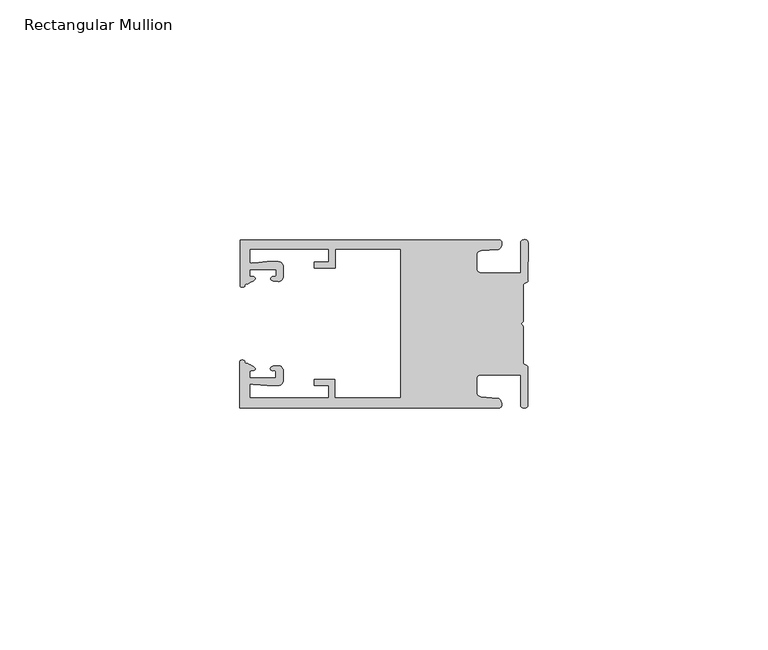
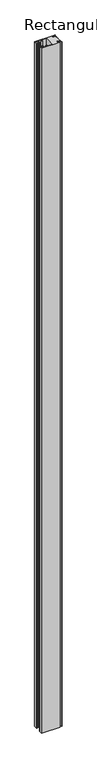
"""IFC4 building model written with IfcOpenShell, lengths in millimetres: member geometry, Rectangular Mullion."""

from ifc_helpers import new_model, si_unit, frame, origin, place, context, project, spatial, circle_curve, source, transform, mapped, element, save
from ifc_brep_helpers import plane_surface, cylinder_surface, extruded_surface, spline_curve, advanced_brep


def rectangular_mullion_eb6108d3(model_context):
    return source(origin(), model_context, "Body", "AdvancedBrep", [
        advanced_brep(
        [(-60.0749377, 17.5111528, 0.0), (-60.0749377, 8.0140787, 0.0), (-59.3252567, 7.7187455, 0.0), (-58.4967974, 8.36785, 0.0), (-58.0726619, 10.1173923, 0.0), (-58.0713101, 11.3673916, 0.0), (-52.5713133, 11.3614437, 0.0), (-52.5726651, 10.1114444, 0.0), (-53.1427626, 8.8955539, 0.0), (-52.0740172, 8.8609044, 0.0), (-51.0729364, 9.8598224, 0.0), (-51.0706653, 11.9598211, 0.0), (-52.0700692, 12.9609024, 0.0), (-54.3905105, 12.9622843, 0.0), (-57.1599646, 12.7230061, 0.0), (-58.0696339, 12.9173907, 0.0), (-58.066768, 15.5673891, 0.0), (-41.5667584, 15.5673891, 0.0), (-41.5695894, 12.9495468, 0.0), (-44.5695877, 12.9527912, 0.0), (-44.5709936, 11.6527919, 0.0), (-40.2709961, 11.6481417, 0.0), (-40.2667576, 15.5673891, 0.0), (-26.6002952, 15.5673891, 0.0), (-26.6002952, -15.4518424, 0.0), (-40.3003032, -15.4518424, 0.0), (-40.2960856, -11.5518447, 0.0), (-44.5960831, -11.5471945, 0.0), (-44.597489, -12.8471938, 0.0), (-41.5974907, -12.8504381, 0.0), (-41.6003025, -15.4504366, 0.0), (-58.1002928, -15.4325927, 0.0), (-58.097427, -12.7825943, 0.0), (-57.1873395, -12.5901776, 0.0), (-54.4184094, -12.8354453, 0.0), (-52.0979705, -12.8390822, 0.0), (-51.0964037, -11.8401649, 0.0), (-51.0941327, -9.7401662, 0.0), (-52.0930507, -8.7390853, 0.0), (-53.1618685, -8.7714231, 0.0), (-52.5944022, -9.9885439, 0.0), (-52.595754, -11.2385431, 0.0), (-58.0957508, -11.2325952, 0.0), (-58.094399, -9.9825959, 0.0), (-58.5147494, -8.2321403, 0.0), (-59.3418028, -7.5812455, 0.0), (-60.0921208, -7.8749565, 0.0), (-60.0921208, -17.4888267, 0.0), (-6.1024861, -17.4888267, 0.0), (-6.5218639, -15.488372, 0.0), (-9.8784944, -15.2205466, 0.0), (-10.7989567, -14.2226333, 0.0), (-10.7961029, -11.5837474, 0.0), (-9.8734844, -10.5878272, 0.0), (-1.5950266, -10.5934991, 0.0), (-1.601948, -16.9936935, 0.0), (-0.1017194, -16.7830581, 0.0), (-0.0933208, -9.0170082, 0.0), (-1.0923837, -8.1499018, 0.0), (-1.0842165, -0.5977972, 0.0), (-1.0829111, 0.6093089, 0.0), (-1.0747439, 8.1614135, 0.0), (-0.0738079, 9.026357, 0.0), (-0.0654093, 16.7924069, 0.0), (-1.5651789, 17.0062866, 0.0), (-1.5651789, 10.6183257, 0.0), (-9.8505511, 10.6183257, 0.0), (-10.7710133, 11.6162391, 0.0), (-10.7681595, 14.255125, 0.0), (-9.845541, 15.2510452, 0.0), (-6.4883391, 15.5116099, 0.0), (-6.0646356, 17.5111528, 0.0), (-60.0749377, 17.5111528, -2133.6), (-6.0646356, 17.5111528, -2133.6), (-6.4883391, 15.5116099, -2133.6), (-9.845541, 15.2510452, -2133.6), (-10.7681595, 14.255125, -2133.6), (-10.7710133, 11.6162391, -2133.6), (-9.8505511, 10.6183257, -2133.6), (-1.5651789, 10.6183257, -2133.6), (-1.5651789, 17.0062866, -2133.6), (-0.0654093, 16.7924069, -2133.6), (-0.0738079, 9.026357, -2133.6), (-1.0747439, 8.1614135, -2133.6), (-1.0829111, 0.6093089, -2133.6), (-1.0842165, -0.5977972, -2133.6), (-1.0923837, -8.1499018, -2133.6), (-0.0933208, -9.0170082, -2133.6), (-0.1017194, -16.7830581, -2133.6), (-1.601948, -16.9936935, -2133.6), (-1.5950266, -10.5934991, -2133.6), (-9.8734844, -10.5878272, -2133.6), (-10.7961029, -11.5837474, -2133.6), (-10.7989567, -14.2226333, -2133.6), (-9.8784944, -15.2205466, -2133.6), (-6.5218639, -15.488372, -2133.6), (-6.1024861, -17.4888267, -2133.6), (-60.0921208, -17.4888267, -2133.6), (-60.0921208, -7.8749565, -2133.6), (-59.3418028, -7.5812455, -2133.6), (-58.5147494, -8.2321403, -2133.6), (-58.094399, -9.9825959, -2133.6), (-58.0957508, -11.2325952, -2133.6), (-52.595754, -11.2385431, -2133.6), (-52.5944022, -9.9885439, -2133.6), (-53.1618685, -8.7714231, -2133.6), (-52.0930507, -8.7390853, -2133.6), (-51.0941327, -9.7401662, -2133.6), (-51.0964037, -11.8401649, -2133.6), (-52.0979705, -12.8390823, -2133.6), (-54.4184094, -12.8354453, -2133.6), (-57.1873395, -12.5901776, -2133.6), (-58.097427, -12.7825943, -2133.6), (-58.1002928, -15.4325927, -2133.6), (-41.6003025, -15.4504366, -2133.6), (-41.5974907, -12.8504381, -2133.6), (-44.597489, -12.8471938, -2133.6), (-44.5960831, -11.5471945, -2133.6), (-40.2960856, -11.5518447, -2133.6), (-40.3003032, -15.4518424, -2133.6), (-26.6002952, -15.4518424, -2133.6), (-26.6002952, 15.5673891, -2133.6), (-40.2667576, 15.5673891, -2133.6), (-40.2709961, 11.6481417, -2133.6), (-44.5709936, 11.6527919, -2133.6), (-44.5695877, 12.9527912, -2133.6), (-41.5695894, 12.9495468, -2133.6), (-41.5667584, 15.5673891, -2133.6), (-58.066768, 15.5673891, -2133.6), (-58.0696339, 12.9173907, -2133.6), (-57.1599646, 12.7230061, -2133.6), (-54.3905105, 12.9622843, -2133.6), (-52.0700692, 12.9609023, -2133.6), (-51.0706653, 11.9598211, -2133.6), (-51.0729364, 9.8598224, -2133.6), (-52.0740172, 8.8609044, -2133.6), (-53.1427626, 8.8955539, -2133.6), (-52.5726651, 10.1114444, -2133.6), (-52.5713133, 11.3614437, -2133.6), (-58.0713101, 11.3673916, -2133.6), (-58.0726619, 10.1173923, -2133.6), (-58.4967974, 8.36785, -2133.6), (-59.3252567, 7.7187455, -2133.6), (-60.0749377, 8.0140787, -2133.6)],
        [
            (0, 1),
            (1, 2, spline_curve(3, [(-60.0749377, 8.0140787, 0.0), (-60.075233123, 7.740904774, 0.0), (-59.825339491, 7.642460332, 0.0), (-59.3252567, 7.7187455, 0.0)], [4, 4], [0.0, 0.0019169337574178654])),
            (2, 3, spline_curve(3, [(-59.3252567, 7.7187455, 0.0), (-59.094460914, 7.75918372, 0.0), (-59.054835463, 7.902257199, 0.0), (-59.05559987, 8.233305614, 0.0), (-59.138729113, 8.4134359, 0.0), (-58.4967974, 8.36785, 0.0)], [4, 2, 4], [0.0, 0.0010199524164107188, 0.0024874514725970356])),
            (3, 4, spline_curve(3, [(-58.4967974, 8.36785, 0.0), (-57.022393378, 9.053435667, 0.0), (-56.827266887, 9.364828726, 0.0), (-56.982213078, 9.742623404, 0.0), (-57.177375211, 9.855581791, 0.0), (-57.697928101, 9.887955071, 0.0), (-57.997449153, 9.835475348, 0.0), (-58.0726619, 10.1173923, 0.0)], [4, 2, 2, 4], [0.0, 0.003269869179570428, 0.005490050486237203, 0.0073545767114364426])),
            (4, 5),
            (5, 6),
            (6, 7),
            (7, 8, spline_curve(3, [(-52.5726651, 10.1114444, 0.0), (-52.667195519, 9.760172042, 0.0), (-52.937094388, 9.861877724, 0.0), (-53.356237032, 9.895631753, 0.0), (-53.491940439, 9.811038713, 0.0), (-53.761900775, 9.511438033, 0.0), (-53.892893546, 9.278787104, 0.0), (-53.1427626, 8.8955539, 0.0)], [4, 2, 2, 4], [0.0, 0.001593963049934732, 0.0033360256320283306, 0.005339140673503943])),
            (8, 9),
            (9, 10, circle_curve(frame((-52.0729358, 9.8609038, 0.0), z_axis=(0.0, 0.0, 1.0), x_axis=(-0.0010814451158600304, -0.9999994152380598, 0.0)), 1.0)),
            (10, 11),
            (11, 12, circle_curve(frame((-52.0706647, 11.9609026, 0.0), z_axis=(0.0, 0.0, 1.0), x_axis=(-0.0010814451158600304, -0.9999994152380598, 0.0)), 1.0)),
            (12, 13),
            (13, 14),
            (14, 15, spline_curve(3, [(-57.1599646, 12.7230061, 0.0), (-57.631533854, 12.682262968, 0.0), (-58.018602985, 12.477800124, 0.0), (-58.0696339, 12.9173907, 0.0)], [4, 4], [0.0, 0.0014803385355886016])),
            (15, 16),
            (16, 17),
            (17, 18),
            (18, 19),
            (19, 20),
            (20, 21),
            (21, 22),
            (22, 23),
            (23, 24),
            (24, 25),
            (25, 26),
            (26, 27),
            (27, 28),
            (28, 29),
            (29, 30),
            (30, 31),
            (31, 32),
            (32, 33, spline_curve(3, [(-58.097427, -12.7825943, 0.0), (-58.045445419, -12.343115126, 0.0), (-57.658819528, -12.548414611, 0.0), (-57.1873395, -12.5901776, 0.0)], [4, 4], [0.0, 0.0014803385355886016])),
            (33, 34),
            (34, 35),
            (35, 36, circle_curve(frame((-52.0964031, -11.8390835, 0.0), z_axis=(0.0, 0.0, 1.0), x_axis=(0.0010814451158600304, 0.9999994152380598, 0.0)), 1.0)),
            (36, 37),
            (37, 38, circle_curve(frame((-52.0941321, -9.7390847, 0.0), z_axis=(0.0, 0.0, 1.0), x_axis=(0.0010814451158600304, 0.9999994152380598, 0.0)), 1.0)),
            (38, 39),
            (39, 40, spline_curve(3, [(-53.1618685, -8.7714231, 0.0), (-53.912826582, -9.153032958, 0.0), (-53.782337352, -9.385966711, 0.0), (-53.51302565, -9.686150585, 0.0), (-53.377505444, -9.771037009, 0.0), (-52.958290774, -9.738189618, 0.0), (-52.688172635, -9.637067904, 0.0), (-52.5944022, -9.9885439, 0.0)], [4, 2, 2, 4], [0.0, 0.002003115041475612, 0.0037451776235692107, 0.005339140673503943])),
            (40, 41),
            (41, 42),
            (42, 43),
            (43, 44, spline_curve(3, [(-58.094399, -9.9825959, 0.0), (-58.018576674, -9.700842284, 0.0), (-57.719169706, -9.753969703, 0.0), (-57.198548014, -9.722722397, 0.0), (-57.003142178, -9.61018632, 0.0), (-56.847379222, -9.232727657, 0.0), (-57.041831673, -8.920913336, 0.0), (-58.5147494, -8.2321403, 0.0)], [4, 2, 2, 4], [0.0, 0.0018645262251992395, 0.004084707531866015, 0.0073545767114364426])),
            (44, 45, spline_curve(3, [(-58.5147494, -8.2321403, 0.0), (-59.156778208, -8.276337666, 0.0), (-59.073259494, -8.096387681, 0.0), (-59.071779067, -7.765341694, 0.0), (-59.111095017, -7.622182811, 0.0), (-59.3418028, -7.5812455, 0.0)], [4, 2, 4], [0.0, 0.0014674990561863168, 0.0024874514725970356])),
            (45, 46, spline_curve(3, [(-59.3418028, -7.5812455, 0.0), (-59.841719425, -7.503878887, 0.0), (-60.091825377, -7.601782574, 0.0), (-60.0921208, -7.8749565, 0.0)], [4, 4], [0.0, 0.0019169337574178654])),
            (46, 47),
            (47, 48),
            (48, 49, spline_curve(3, [(-6.1024861, -17.4888267, 0.0), (-5.074532184, -17.418062188, 0.0), (-5.631140689, -15.411414367, 0.0), (-6.5218639, -15.488372, 0.0)], [4, 4], [0.0, 0.0043819361547461745])),
            (49, 50),
            (50, 51, spline_curve(3, [(-9.8784944, -15.2205466, 0.0), (-10.440691543, -15.150698463, 0.0), (-10.74751234, -14.818060727, 0.0), (-10.7989567, -14.2226333, 0.0)], [4, 4], [0.0, 0.0028645797420738927])),
            (51, 52),
            (52, 53, spline_curve(3, [(-10.7961029, -11.5837474, 0.0), (-10.743370817, -10.988432634, 0.0), (-10.435831301, -10.656459204, 0.0), (-9.8734844, -10.5878272, 0.0)], [4, 4], [0.0, 0.0028645797420738927])),
            (53, 54),
            (54, 55),
            (55, 56, spline_curve(3, [(-1.601948, -16.9936935, 0.0), (-1.655676874, -17.600261454, 0.0), (-0.043737403, -17.912795581, 0.0), (-0.1017194, -16.7830581, 0.0)], [4, 4], [0.0, 0.0036987374396357936])),
            (56, 57),
            (57, 58, spline_curve(3, [(-0.0933208, -9.0170082, 0.0), (-0.018818183, -8.695886697, 0.0), (-1.193434327, -8.459763043, 0.0), (-1.0923837, -8.1499018, 0.0)], [4, 4], [0.0, 0.002027216749630121])),
            (58, 59),
            (59, 60, spline_curve(3, [(-1.0842165, -0.5977972, 0.0), (-1.013223198, -0.445980437, 0.0), (-1.487945123, -0.206736825, 0.0), (-1.487409651, 0.231097965, 0.0), (-0.999110985, 0.429090391, 0.0), (-1.0829111, 0.6093089, 0.0)], [4, 2, 4], [0.0, 0.00249866671847065, 0.005031402919736269])),
            (60, 61),
            (61, 62, spline_curve(3, [(-1.0747439, 8.1614135, 0.0), (-1.175124095, 8.47149258, 0.0), (-7e-09, 8.705075107, 0.0), (-0.0738079, 9.026357, 0.0)], [4, 4], [0.0, 0.002027216749630121])),
            (62, 63),
            (63, 64, spline_curve(3, [(-0.0654093, 16.7924069, 0.0), (-0.004983942, 17.92201633, 0.0), (-1.617595709, 17.612969344, 0.0), (-1.5651789, 17.0062866, 0.0)], [4, 4], [0.0, 0.0036987374396357936])),
            (64, 65),
            (65, 66),
            (66, 67, spline_curve(3, [(-9.8505511, 10.6183257, 0.0), (-10.412748243, 10.688173837, 0.0), (-10.71956894, 11.020811673, 0.0), (-10.7710133, 11.6162391, 0.0)], [4, 4], [0.0, 0.0028645797420738927])),
            (67, 68),
            (68, 69, spline_curve(3, [(-10.7681595, 14.255125, 0.0), (-10.715427417, 14.850439766, 0.0), (-10.407887901, 15.182413196, 0.0), (-9.845541, 15.2510452, 0.0)], [4, 4], [0.0, 0.0028645797420738927])),
            (69, 70),
            (70, 71, spline_curve(3, [(-6.4883391, 15.5116099, 0.0), (-5.597784423, 15.432725911, 0.0), (-5.036837144, 17.438165103, 0.0), (-6.0646356, 17.5111528, 0.0)], [4, 4], [0.0, 0.0043819361547461745])),
            (71, 0),
            (72, 73),
            (73, 74, spline_curve(3, [(-6.0646356, 17.5111528, -2133.6), (-5.036837144, 17.438165103, -2133.6), (-5.597784423, 15.432725911, -2133.6), (-6.4883391, 15.5116099, -2133.6)], [4, 4], [0.0, 0.0043819361547461745])),
            (74, 75),
            (75, 76, spline_curve(3, [(-9.845541, 15.2510452, -2133.6), (-10.407887901, 15.182413196, -2133.6), (-10.715427417, 14.850439766, -2133.6), (-10.7681595, 14.255125, -2133.6)], [4, 4], [0.0, 0.0028645797420738927])),
            (76, 77),
            (77, 78, spline_curve(3, [(-10.7710133, 11.6162391, -2133.6), (-10.71956894, 11.020811673, -2133.6), (-10.412748243, 10.688173837, -2133.6), (-9.8505511, 10.6183257, -2133.6)], [4, 4], [0.0, 0.0028645797420738927])),
            (78, 79),
            (79, 80),
            (80, 81, spline_curve(3, [(-1.5651789, 17.0062866, -2133.6), (-1.617595709, 17.612969344, -2133.6), (-0.004983942, 17.92201633, -2133.6), (-0.0654093, 16.7924069, -2133.6)], [4, 4], [0.0, 0.0036987374396357936])),
            (81, 82),
            (82, 83, spline_curve(3, [(-0.0738079, 9.026357, -2133.6), (-7e-09, 8.705075107, -2133.6), (-1.175124095, 8.47149258, -2133.6), (-1.0747439, 8.1614135, -2133.6)], [4, 4], [0.0, 0.002027216749630121])),
            (83, 84),
            (84, 85, spline_curve(3, [(-1.0829111, 0.6093089, -2133.6), (-0.999110985, 0.429090391, -2133.6), (-1.487409651, 0.231097965, -2133.6), (-1.487945123, -0.206736825, -2133.6), (-1.013223198, -0.445980437, -2133.6), (-1.0842165, -0.5977972, -2133.6)], [4, 2, 4], [0.0, 0.002532736201265619, 0.005031402919736269])),
            (85, 86),
            (86, 87, spline_curve(3, [(-1.0923837, -8.1499018, -2133.6), (-1.193434327, -8.459763043, -2133.6), (-0.018818183, -8.695886697, -2133.6), (-0.0933208, -9.0170082, -2133.6)], [4, 4], [0.0, 0.002027216749630121])),
            (87, 88),
            (88, 89, spline_curve(3, [(-0.1017194, -16.7830581, -2133.6), (-0.043737403, -17.912795581, -2133.6), (-1.655676874, -17.600261454, -2133.6), (-1.601948, -16.9936935, -2133.6)], [4, 4], [0.0, 0.0036987374396357936])),
            (89, 90),
            (90, 91),
            (91, 92, spline_curve(3, [(-9.8734844, -10.5878272, -2133.6), (-10.435831301, -10.656459204, -2133.6), (-10.743370817, -10.988432634, -2133.6), (-10.7961029, -11.5837474, -2133.6)], [4, 4], [0.0, 0.0028645797420738927])),
            (92, 93),
            (93, 94, spline_curve(3, [(-10.7989567, -14.2226333, -2133.6), (-10.74751234, -14.818060727, -2133.6), (-10.440691543, -15.150698463, -2133.6), (-9.8784944, -15.2205466, -2133.6)], [4, 4], [0.0, 0.0028645797420738927])),
            (94, 95),
            (95, 96, spline_curve(3, [(-6.5218639, -15.488372, -2133.6), (-5.631140689, -15.411414367, -2133.6), (-5.074532184, -17.418062188, -2133.6), (-6.1024861, -17.4888267, -2133.6)], [4, 4], [0.0, 0.0043819361547461745])),
            (96, 97),
            (97, 98),
            (98, 99, spline_curve(3, [(-60.0921208, -7.8749565, -2133.6), (-60.091825377, -7.601782574, -2133.6), (-59.841719425, -7.503878887, -2133.6), (-59.3418028, -7.5812455, -2133.6)], [4, 4], [0.0, 0.0019169337574178654])),
            (99, 100, spline_curve(3, [(-59.3418028, -7.5812455, -2133.6), (-59.111095017, -7.622182811, -2133.6), (-59.071779067, -7.765341694, -2133.6), (-59.073259494, -8.096387681, -2133.6), (-59.156778208, -8.276337666, -2133.6), (-58.5147494, -8.2321403, -2133.6)], [4, 2, 4], [0.0, 0.0010199524164107188, 0.0024874514725970356])),
            (100, 101, spline_curve(3, [(-58.5147494, -8.2321403, -2133.6), (-57.041831673, -8.920913336, -2133.6), (-56.847379222, -9.232727657, -2133.6), (-57.003142178, -9.61018632, -2133.6), (-57.198548014, -9.722722397, -2133.6), (-57.719169706, -9.753969703, -2133.6), (-58.018576674, -9.700842284, -2133.6), (-58.094399, -9.9825959, -2133.6)], [4, 2, 2, 4], [0.0, 0.003269869179570428, 0.005490050486237203, 0.0073545767114364426])),
            (101, 102),
            (102, 103),
            (103, 104),
            (104, 105, spline_curve(3, [(-52.5944022, -9.9885439, -2133.6), (-52.688172635, -9.637067904, -2133.6), (-52.958290774, -9.738189618, -2133.6), (-53.377505444, -9.771037009, -2133.6), (-53.51302565, -9.686150585, -2133.6), (-53.782337352, -9.385966711, -2133.6), (-53.912826582, -9.153032958, -2133.6), (-53.1618685, -8.7714231, -2133.6)], [4, 2, 2, 4], [0.0, 0.001593963049934732, 0.0033360256320283306, 0.005339140673503943])),
            (105, 106),
            (106, 107, circle_curve(frame((-52.0941321, -9.7390847, -2133.6), z_axis=(0.0, 0.0, -1.0), x_axis=(0.0010814451158600304, 0.9999994152380598, 0.0)), 1.0)),
            (107, 108),
            (108, 109, circle_curve(frame((-52.0964031, -11.8390835, -2133.6), z_axis=(0.0, 0.0, -1.0), x_axis=(0.0010814451158600304, 0.9999994152380598, 0.0)), 1.0)),
            (109, 110),
            (110, 111),
            (111, 112, spline_curve(3, [(-57.1873395, -12.5901776, -2133.6), (-57.658819528, -12.548414611, -2133.6), (-58.045445419, -12.343115126, -2133.6), (-58.097427, -12.7825943, -2133.6)], [4, 4], [0.0, 0.0014803385355886016])),
            (112, 113),
            (113, 114),
            (114, 115),
            (115, 116),
            (116, 117),
            (117, 118),
            (118, 119),
            (119, 120),
            (120, 121),
            (121, 122),
            (122, 123),
            (123, 124),
            (124, 125),
            (125, 126),
            (126, 127),
            (127, 128),
            (128, 129),
            (129, 130, spline_curve(3, [(-58.0696339, 12.9173907, -2133.6), (-58.018602985, 12.477800124, -2133.6), (-57.631533854, 12.682262968, -2133.6), (-57.1599646, 12.7230061, -2133.6)], [4, 4], [0.0, 0.0014803385355886016])),
            (130, 131),
            (131, 132),
            (132, 133, circle_curve(frame((-52.0706647, 11.9609026, -2133.6), z_axis=(0.0, 0.0, -1.0), x_axis=(-0.0010814451158600304, -0.9999994152380598, 0.0)), 1.0)),
            (133, 134),
            (134, 135, circle_curve(frame((-52.0729358, 9.8609038, -2133.6), z_axis=(0.0, 0.0, -1.0), x_axis=(-0.0010814451158600304, -0.9999994152380598, 0.0)), 1.0)),
            (135, 136),
            (136, 137, spline_curve(3, [(-53.1427626, 8.8955539, -2133.6), (-53.892893546, 9.278787104, -2133.6), (-53.761900775, 9.511438033, -2133.6), (-53.491940439, 9.811038713, -2133.6), (-53.356237032, 9.895631753, -2133.6), (-52.937094388, 9.861877724, -2133.6), (-52.667195519, 9.760172042, -2133.6), (-52.5726651, 10.1114444, -2133.6)], [4, 2, 2, 4], [0.0, 0.002003115041475612, 0.0037451776235692107, 0.005339140673503943])),
            (137, 138),
            (138, 139),
            (139, 140),
            (140, 141, spline_curve(3, [(-58.0726619, 10.1173923, -2133.6), (-57.997449153, 9.835475348, -2133.6), (-57.697928101, 9.887955071, -2133.6), (-57.177375211, 9.855581791, -2133.6), (-56.982213078, 9.742623404, -2133.6), (-56.827266887, 9.364828726, -2133.6), (-57.022393378, 9.053435667, -2133.6), (-58.4967974, 8.36785, -2133.6)], [4, 2, 2, 4], [0.0, 0.0018645262251992395, 0.004084707531866015, 0.0073545767114364426])),
            (141, 142, spline_curve(3, [(-58.4967974, 8.36785, -2133.6), (-59.138729113, 8.4134359, -2133.6), (-59.05559987, 8.233305614, -2133.6), (-59.054835463, 7.902257199, -2133.6), (-59.094460914, 7.75918372, -2133.6), (-59.3252567, 7.7187455, -2133.6)], [4, 2, 4], [0.0, 0.0014674990561863168, 0.0024874514725970356])),
            (142, 143, spline_curve(3, [(-59.3252567, 7.7187455, -2133.6), (-59.825339491, 7.642460332, -2133.6), (-60.075233123, 7.740904774, -2133.6), (-60.0749377, 8.0140787, -2133.6)], [4, 4], [0.0, 0.0019169337574178654])),
            (143, 72),
            (0, 72),
            (143, 1),
            (142, 2),
            (141, 3),
            (140, 4),
            (139, 5),
            (138, 6),
            (137, 7),
            (136, 8),
            (135, 9),
            (134, 10),
            (133, 11),
            (132, 12),
            (131, 13),
            (130, 14),
            (129, 15),
            (128, 16),
            (127, 17),
            (126, 18),
            (125, 19),
            (124, 20),
            (123, 21),
            (122, 22),
            (121, 23),
            (120, 24),
            (119, 25),
            (118, 26),
            (117, 27),
            (116, 28),
            (115, 29),
            (114, 30),
            (113, 31),
            (112, 32),
            (111, 33),
            (110, 34),
            (109, 35),
            (108, 36),
            (107, 37),
            (106, 38),
            (105, 39),
            (104, 40),
            (103, 41),
            (102, 42),
            (101, 43),
            (100, 44),
            (99, 45),
            (98, 46),
            (97, 47),
            (96, 48),
            (95, 49),
            (94, 50),
            (93, 51),
            (92, 52),
            (91, 53),
            (90, 54),
            (89, 55),
            (88, 56),
            (87, 57),
            (86, 58),
            (85, 59),
            (84, 60),
            (83, 61),
            (82, 62),
            (81, 63),
            (80, 64),
            (79, 65),
            (78, 66),
            (77, 67),
            (76, 68),
            (75, 69),
            (74, 70),
            (73, 71),
        ],
        [
            plane_surface(frame((0.0, -62.5853181, 0.0), z_axis=(0.0, 0.0, 1.0), x_axis=(-1.0, 0.0, 0.0))),
            plane_surface(frame((0.0, -62.5853181, -2133.6), z_axis=(0.0, 0.0, -1.0), x_axis=(-1.0, 0.0, 0.0))),
            plane_surface(frame((-60.0749377, 17.5111528, 0.0), z_axis=(-1.0, 0.0, 0.0), x_axis=(0.0, 0.0, -1.0))),
            extruded_surface(spline_curve(3, [(-60.0749377, 8.0140787, -2133.6), (-60.075233123, 7.740904774, -2133.6), (-59.825339491, 7.642460332, -2133.6), (-59.3252567, 7.7187455, -2133.6)], [4, 4], [0.0, 0.0019169337574178654]), (0.0, 0.0, 2133.6), 2133.6),
            extruded_surface(spline_curve(3, [(-59.3252567, 7.7187455, -2133.6), (-59.094460914, 7.75918372, -2133.6), (-59.054835463, 7.902257199, -2133.6), (-59.05559987, 8.233305614, -2133.6), (-59.138729113, 8.4134359, -2133.6), (-58.4967974, 8.36785, -2133.6)], [4, 2, 4], [0.0, 0.0010199524164107188, 0.0024874514725970356]), (0.0, 0.0, 2133.6), 2133.6),
            extruded_surface(spline_curve(3, [(-58.4967974, 8.36785, -2133.6), (-57.022393378, 9.053435667, -2133.6), (-56.827266887, 9.364828726, -2133.6), (-56.982213078, 9.742623404, -2133.6), (-57.177375211, 9.855581791, -2133.6), (-57.697928101, 9.887955071, -2133.6), (-57.997449153, 9.835475348, -2133.6), (-58.0726619, 10.1173923, -2133.6)], [4, 2, 2, 4], [0.0, 0.003269869179570428, 0.005490050486237203, 0.0073545767114364426]), (0.0, 0.0, 2133.6), 2133.6),
            plane_surface(frame((-58.0726619, 10.1173923, 0.0), z_axis=(0.9999994152380598, -0.0010814451158634145, 0.0), x_axis=(0.0, 0.0, -1.0))),
            plane_surface(frame((-58.0713101, 11.3673916, 0.0), z_axis=(-0.0010814451158616418, -0.9999994152380598, 0.0), x_axis=(0.0, 0.0, -1.0))),
            plane_surface(frame((-52.5713133, 11.3614437, 0.0), z_axis=(-0.9999994152380598, 0.0010814451158643293, 0.0), x_axis=(0.0, 0.0, -1.0))),
            extruded_surface(spline_curve(3, [(-52.5726651, 10.1114444, -2133.6), (-52.667195519, 9.760172042, -2133.6), (-52.937094388, 9.861877724, -2133.6), (-53.356237032, 9.895631753, -2133.6), (-53.491940439, 9.811038713, -2133.6), (-53.761900775, 9.511438033, -2133.6), (-53.892893546, 9.278787104, -2133.6), (-53.1427626, 8.8955539, -2133.6)], [4, 2, 2, 4], [0.0, 0.001593963049934732, 0.0033360256320283306, 0.005339140673503943]), (0.0, 0.0, 2133.6), 2133.6),
            plane_surface(frame((-53.1427626, 8.8955539, 0.0), z_axis=(-0.032403661401520414, -0.9994748634797054, 0.0), x_axis=(0.0, 0.0, -1.0))),
            cylinder_surface(frame((-52.0729358, 9.8609038, 0.0), z_axis=(0.0, 0.0, 1.0000000000000002), x_axis=(-0.0010814451158600304, -0.9999994152380598, 0.0)), 1.0),
            plane_surface(frame((-51.0729364, 9.8598224, 0.0), z_axis=(0.9999994152380598, -0.001081445115864059, 0.0), x_axis=(0.0, 0.0, -1.0))),
            cylinder_surface(frame((-52.0706647, 11.9609026, 0.0), z_axis=(0.0, 0.0, 1.0000000000000002), x_axis=(-0.0010814451158600304, -0.9999994152380598, 0.0)), 1.0),
            plane_surface(frame((-52.0700692, 12.9609023, 0.0), z_axis=(0.0005955716436318007, 0.999999822647193, 0.0), x_axis=(0.0, 0.0, -1.0))),
            plane_surface(frame((-54.3905105, 12.9622843, 0.0), z_axis=(-0.08607836189159865, 0.9962883697073147, 0.0), x_axis=(0.0, 0.0, -1.0))),
            extruded_surface(spline_curve(3, [(-57.1599646, 12.7230061, -2133.6), (-57.631533854, 12.682262968, -2133.6), (-58.018602985, 12.477800124, -2133.6), (-58.0696339, 12.9173907, -2133.6)], [4, 4], [0.0, 0.0014803385355886016]), (0.0, 0.0, 2133.6), 2133.6),
            plane_surface(frame((-58.0696339, 12.9173907, 0.0), z_axis=(0.9999994152380598, -0.0010814451158629996, 0.0), x_axis=(0.0, 0.0, -1.0))),
            plane_surface(frame((-58.066768, 15.5673891, 0.0), z_axis=(0.0, -1.0, 0.0), x_axis=(0.0, 0.0, -1.0))),
            plane_surface(frame((-41.5667584, 15.5673891, 0.0), z_axis=(-0.9999994152380598, 0.0010814451158636304, 0.0), x_axis=(0.0, 0.0, -1.0))),
            plane_surface(frame((-41.5695894, 12.9495468, 0.0), z_axis=(0.0010814451158615687, 0.9999994152380598, 0.0), x_axis=(0.0, 0.0, -1.0))),
            plane_surface(frame((-44.5695877, 12.9527912, 0.0), z_axis=(-0.9999994152380598, 0.0010814451158626742, 0.0), x_axis=(0.0, 0.0, -1.0))),
            plane_surface(frame((-44.5709936, 11.6527919, 0.0), z_axis=(-0.001081445115861604, -0.9999994152380598, 0.0), x_axis=(0.0, 0.0, -1.0))),
            plane_surface(frame((-40.2709961, 11.6481417, 0.0), z_axis=(0.9999994152380598, -0.001081445115863507, 0.0), x_axis=(0.0, 0.0, -1.0))),
            plane_surface(frame((-40.2667576, 15.5673891, 0.0), z_axis=(0.0, -1.0, 0.0), x_axis=(0.0, 0.0, -1.0))),
            plane_surface(frame((-26.6002952, 15.5673891, 0.0), z_axis=(-1.0, 0.0, 0.0), x_axis=(0.0, 0.0, -1.0))),
            plane_surface(frame((-26.6002952, -15.4518424, 0.0), z_axis=(0.0, 1.0, 0.0), x_axis=(0.0, 0.0, -1.0))),
            plane_surface(frame((-40.3003032, -15.4518424, 0.0), z_axis=(0.9999994152380598, -0.0010814451158565538, 0.0), x_axis=(0.0, 0.0, -1.0))),
            plane_surface(frame((-40.2960856, -11.5518447, 0.0), z_axis=(0.0010814451158584568, 0.9999994152380598, 0.0), x_axis=(0.0, 0.0, -1.0))),
            plane_surface(frame((-44.5960831, -11.5471945, 0.0), z_axis=(-0.9999994152380598, 0.0010814451158573867, 0.0), x_axis=(0.0, 0.0, -1.0))),
            plane_surface(frame((-44.597489, -12.8471938, 0.0), z_axis=(-0.0010814451158584922, -0.9999994152380598, 0.0), x_axis=(0.0, 0.0, -1.0))),
            plane_surface(frame((-41.5974907, -12.8504381, 0.0), z_axis=(-0.9999994152380598, 0.0010814451158564305, 0.0), x_axis=(0.0, 0.0, -1.0))),
            plane_surface(frame((-41.6003025, -15.4504366, 0.0), z_axis=(0.0010814451158583872, 0.9999994152380598, 0.0), x_axis=(0.0, 0.0, -1.0))),
            plane_surface(frame((-58.1002928, -15.4325927, 0.0), z_axis=(0.9999994152380598, -0.0010814451158570612, 0.0), x_axis=(0.0, 0.0, -1.0))),
            extruded_surface(spline_curve(3, [(-58.097427, -12.7825943, -2133.6), (-58.045445419, -12.343115126, -2133.6), (-57.658819528, -12.548414611, -2133.6), (-57.1873395, -12.5901776, -2133.6)], [4, 4], [0.0, 0.0014803385355886016]), (0.0, 0.0, 2133.6), 2133.6),
            plane_surface(frame((-57.1873395, -12.5901776, 0.0), z_axis=(-0.0882330216729926, -0.9960998614026876, 0.0), x_axis=(0.0, 0.0, -1.0))),
            plane_surface(frame((-54.4184094, -12.8354453, 0.0), z_axis=(-0.0015673183327880543, -0.9999987717558677, 0.0), x_axis=(0.0, 0.0, -1.0))),
            cylinder_surface(frame((-52.0964031, -11.8390835, 0.0), z_axis=(0.0, 0.0, 1.0000000000000002), x_axis=(0.0010814451158600304, 0.9999994152380598, 0.0)), 1.0),
            plane_surface(frame((-51.0964037, -11.8401649, 0.0), z_axis=(0.9999994152380598, -0.001081445115856002, 0.0), x_axis=(0.0, 0.0, -1.0))),
            cylinder_surface(frame((-52.0941321, -9.7390847, 0.0), z_axis=(0.0, 0.0, 1.0000000000000002), x_axis=(0.0010814451158600304, 0.9999994152380598, 0.0)), 1.0),
            plane_surface(frame((-52.0930507, -8.7390853, 0.0), z_axis=(-0.030241832452872642, 0.9995426111826812, 0.0), x_axis=(0.0, 0.0, -1.0))),
            extruded_surface(spline_curve(3, [(-53.1618685, -8.7714231, -2133.6), (-53.912826582, -9.153032958, -2133.6), (-53.782337352, -9.385966711, -2133.6), (-53.51302565, -9.686150585, -2133.6), (-53.377505444, -9.771037009, -2133.6), (-52.958290774, -9.738189618, -2133.6), (-52.688172635, -9.637067904, -2133.6), (-52.5944022, -9.9885439, -2133.6)], [4, 2, 2, 4], [0.0, 0.002003115041475612, 0.0037451776235692107, 0.005339140673503943]), (0.0, 0.0, 2133.6), 2133.6),
            plane_surface(frame((-52.5944022, -9.9885439, 0.0), z_axis=(-0.9999994152380598, 0.0010814451158557316, 0.0), x_axis=(0.0, 0.0, -1.0))),
            plane_surface(frame((-52.595754, -11.2385431, 0.0), z_axis=(0.001081445115858419, 0.9999994152380598, 0.0), x_axis=(0.0, 0.0, -1.0))),
            plane_surface(frame((-58.0957508, -11.2325952, 0.0), z_axis=(0.9999994152380598, -0.0010814451158566464, 0.0), x_axis=(0.0, 0.0, -1.0))),
            extruded_surface(spline_curve(3, [(-58.094399, -9.9825959, -2133.6), (-58.018576674, -9.700842284, -2133.6), (-57.719169706, -9.753969703, -2133.6), (-57.198548014, -9.722722397, -2133.6), (-57.003142178, -9.61018632, -2133.6), (-56.847379222, -9.232727657, -2133.6), (-57.041831673, -8.920913336, -2133.6), (-58.5147494, -8.2321403, -2133.6)], [4, 2, 2, 4], [0.0, 0.0018645262251992395, 0.004084707531866015, 0.0073545767114364426]), (0.0, 0.0, 2133.6), 2133.6),
            extruded_surface(spline_curve(3, [(-58.5147494, -8.2321403, -2133.6), (-59.156778208, -8.276337666, -2133.6), (-59.073259494, -8.096387681, -2133.6), (-59.071779067, -7.765341694, -2133.6), (-59.111095017, -7.622182811, -2133.6), (-59.3418028, -7.5812455, -2133.6)], [4, 2, 4], [0.0, 0.0014674990561863168, 0.0024874514725970356]), (0.0, 0.0, 2133.6), 2133.6),
            extruded_surface(spline_curve(3, [(-59.3418028, -7.5812455, -2133.6), (-59.841719425, -7.503878887, -2133.6), (-60.091825377, -7.601782574, -2133.6), (-60.0921208, -7.8749565, -2133.6)], [4, 4], [0.0, 0.0019169337574178654]), (0.0, 0.0, 2133.6), 2133.6),
            plane_surface(frame((-60.0921208, -7.8749565, 0.0), z_axis=(-1.0, 0.0, 0.0), x_axis=(0.0, 0.0, -1.0))),
            plane_surface(frame((-60.0921208, -17.4888267, 0.0), z_axis=(0.0, -1.0, 0.0), x_axis=(0.0, 0.0, -1.0))),
            extruded_surface(spline_curve(3, [(-6.1024861, -17.4888267, -2133.6), (-5.074532184, -17.418062188, -2133.6), (-5.631140689, -15.411414367, -2133.6), (-6.5218639, -15.488372, -2133.6)], [4, 4], [0.0, 0.0043819361547461745]), (0.0, 0.0, 2133.6), 2133.6),
            plane_surface(frame((-6.5218639, -15.488372, 0.0), z_axis=(0.07953716124904908, 0.9968319015663789, 0.0), x_axis=(0.0, 0.0, -1.0))),
            extruded_surface(spline_curve(3, [(-9.8784944, -15.2205466, -2133.6), (-10.440691543, -15.150698463, -2133.6), (-10.74751234, -14.818060727, -2133.6), (-10.7989567, -14.2226333, -2133.6)], [4, 4], [0.0, 0.0028645797420738927]), (0.0, 0.0, 2133.6), 2133.6),
            plane_surface(frame((-10.7989567, -14.2226333, 0.0), z_axis=(0.9999994152380598, -0.0010814451158568247, 0.0), x_axis=(0.0, 0.0, -1.0))),
            extruded_surface(spline_curve(3, [(-10.7961029, -11.5837474, -2133.6), (-10.743370817, -10.988432634, -2133.6), (-10.435831301, -10.656459204, -2133.6), (-9.8734844, -10.5878272, -2133.6)], [4, 4], [0.0, 0.0028645797420738927]), (0.0, 0.0, 2133.6), 2133.6),
            plane_surface(frame((-9.8734844, -10.5878272, 0.0), z_axis=(-0.0006851371995361226, -0.9999997652934814, 0.0), x_axis=(0.0, 0.0, -1.0))),
            plane_surface(frame((-1.5950266, -10.5934991, 0.0), z_axis=(-0.9999994152380598, 0.0010814451158568644, 0.0), x_axis=(0.0, 0.0, -1.0))),
            extruded_surface(spline_curve(3, [(-1.601948, -16.9936935, -2133.6), (-1.655676874, -17.600261454, -2133.6), (-0.043737403, -17.912795581, -2133.6), (-0.1017194, -16.7830581, -2133.6)], [4, 4], [0.0, 0.0036987374396357936]), (0.0, 0.0, 2133.6), 2133.6),
            plane_surface(frame((-0.1017194, -16.7830581, 0.0), z_axis=(0.9999994152380598, -0.001081445115856699, 0.0), x_axis=(0.0, 0.0, -1.0))),
            extruded_surface(spline_curve(3, [(-0.0933208, -9.0170082, -2133.6), (-0.018818183, -8.695886697, -2133.6), (-1.193434327, -8.459763043, -2133.6), (-1.0923837, -8.1499018, -2133.6)], [4, 4], [0.0, 0.002027216749630121]), (0.0, 0.0, 2133.6), 2133.6),
            plane_surface(frame((-1.0923837, -8.1499018, 0.0), z_axis=(0.9999994152380598, -0.0010814451158566698, 0.0), x_axis=(0.0, 0.0, -1.0))),
            extruded_surface(spline_curve(3, [(-1.0842165, -0.5977972, -2133.6), (-1.013223198, -0.445980437, -2133.6), (-1.487945123, -0.206736825, -2133.6), (-1.487409651, 0.231097965, -2133.6), (-0.999110985, 0.429090391, -2133.6), (-1.0829111, 0.6093089, -2133.6)], [4, 2, 4], [0.0, 0.00249866671847065, 0.005031402919736269]), (0.0, 0.0, 2133.6), 2133.6),
            plane_surface(frame((-1.0829111, 0.6093089, 0.0), z_axis=(0.9999994152380598, -0.001081445115863391, 0.0), x_axis=(0.0, 0.0, -1.0))),
            extruded_surface(spline_curve(3, [(-1.0747439, 8.1614135, -2133.6), (-1.175124095, 8.47149258, -2133.6), (-7e-09, 8.705075107, -2133.6), (-0.0738079, 9.026357, -2133.6)], [4, 4], [0.0, 0.002027216749630121]), (0.0, 0.0, 2133.6), 2133.6),
            plane_surface(frame((-0.0738079, 9.026357, 0.0), z_axis=(0.9999994152380598, -0.001081445115863362, 0.0), x_axis=(0.0, 0.0, -1.0))),
            extruded_surface(spline_curve(3, [(-0.0654093, 16.7924069, -2133.6), (-0.004983942, 17.92201633, -2133.6), (-1.617595709, 17.612969344, -2133.6), (-1.5651789, 17.0062866, -2133.6)], [4, 4], [0.0, 0.0036987374396357936]), (0.0, 0.0, 2133.6), 2133.6),
            plane_surface(frame((-1.5651789, 17.0062866, 0.0), z_axis=(-1.0, 0.0, 0.0), x_axis=(0.0, 0.0, -1.0))),
            plane_surface(frame((-1.5651789, 10.6183257, 0.0), z_axis=(0.0, 1.0, 0.0), x_axis=(0.0, 0.0, -1.0))),
            extruded_surface(spline_curve(3, [(-9.8505511, 10.6183257, -2133.6), (-10.412748243, 10.688173837, -2133.6), (-10.71956894, 11.020811673, -2133.6), (-10.7710133, 11.6162391, -2133.6)], [4, 4], [0.0, 0.0028645797420738927]), (0.0, 0.0, 2133.6), 2133.6),
            plane_surface(frame((-10.7710133, 11.6162391, 0.0), z_axis=(0.9999994152380598, -0.0010814451158632362, 0.0), x_axis=(0.0, 0.0, -1.0))),
            extruded_surface(spline_curve(3, [(-10.7681595, 14.255125, -2133.6), (-10.715427417, 14.850439766, -2133.6), (-10.407887901, 15.182413196, -2133.6), (-9.845541, 15.2510452, -2133.6)], [4, 4], [0.0, 0.0028645797420738927]), (0.0, 0.0, 2133.6), 2133.6),
            plane_surface(frame((-9.845541, 15.2510452, 0.0), z_axis=(0.07738093848608862, -0.9970015999781607, 0.0), x_axis=(0.0, 0.0, -1.0))),
            extruded_surface(spline_curve(3, [(-6.4883391, 15.5116099, -2133.6), (-5.597784423, 15.432725911, -2133.6), (-5.036837144, 17.438165103, -2133.6), (-6.0646356, 17.5111528, -2133.6)], [4, 4], [0.0, 0.0043819361547461745]), (0.0, 0.0, 2133.6), 2133.6),
            plane_surface(frame((-6.0646356, 17.5111528, 0.0), z_axis=(0.0, 1.0, 0.0), x_axis=(0.0, 0.0, -1.0))),
        ],
        [
            (0, [[1, 2, 3, 4, 5, 6, 7, 8, 9, 10, 11, 12, 13, 14, 15, 16, 17, 18, 19, 20, 21, 22, 23, 24, 25, 26, 27, 28, 29, 30, 31, 32, 33, 34, 35, 36, 37, 38, 39, 40, 41, 42, 43, 44, 45, 46, 47, 48, 49, 50, 51, 52, 53, 54, 55, 56, 57, 58, 59, 60, 61, 62, 63, 64, 65, 66, 67, 68, 69, 70, 71, 72]]),
            (1, [[73, 74, 75, 76, 77, 78, 79, 80, 81, 82, 83, 84, 85, 86, 87, 88, 89, 90, 91, 92, 93, 94, 95, 96, 97, 98, 99, 100, 101, 102, 103, 104, 105, 106, 107, 108, 109, 110, 111, 112, 113, 114, 115, 116, 117, 118, 119, 120, 121, 122, 123, 124, 125, 126, 127, 128, 129, 130, 131, 132, 133, 134, 135, 136, 137, 138, 139, 140, 141, 142, 143, 144]]),
            (2, [[-1, 145, -144, 146]]),
            (3, [[-2, -146, -143, 147]]),
            (4, [[-3, -147, -142, 148]]),
            (5, [[-4, -148, -141, 149]]),
            (6, [[-5, -149, -140, 150]]),
            (7, [[-6, -150, -139, 151]]),
            (8, [[-7, -151, -138, 152]]),
            (9, [[-8, -152, -137, 153]]),
            (10, [[-9, -153, -136, 154]]),
            (11, [[-10, -154, -135, 155]]),
            (12, [[-11, -155, -134, 156]]),
            (13, [[-12, -156, -133, 157]]),
            (14, [[-13, -157, -132, 158]]),
            (15, [[-14, -158, -131, 159]]),
            (16, [[-15, -159, -130, 160]]),
            (17, [[-16, -160, -129, 161]]),
            (18, [[-17, -161, -128, 162]]),
            (19, [[-18, -162, -127, 163]]),
            (20, [[-19, -163, -126, 164]]),
            (21, [[-20, -164, -125, 165]]),
            (22, [[-21, -165, -124, 166]]),
            (23, [[-22, -166, -123, 167]]),
            (24, [[-23, -167, -122, 168]]),
            (25, [[-24, -168, -121, 169]]),
            (26, [[-25, -169, -120, 170]]),
            (27, [[-26, -170, -119, 171]]),
            (28, [[-27, -171, -118, 172]]),
            (29, [[-28, -172, -117, 173]]),
            (30, [[-29, -173, -116, 174]]),
            (31, [[-30, -174, -115, 175]]),
            (32, [[-31, -175, -114, 176]]),
            (33, [[-32, -176, -113, 177]]),
            (34, [[-33, -177, -112, 178]]),
            (35, [[-34, -178, -111, 179]]),
            (36, [[-35, -179, -110, 180]]),
            (37, [[-36, -180, -109, 181]]),
            (38, [[-37, -181, -108, 182]]),
            (39, [[-38, -182, -107, 183]]),
            (40, [[-39, -183, -106, 184]]),
            (41, [[-40, -184, -105, 185]]),
            (42, [[-41, -185, -104, 186]]),
            (43, [[-42, -186, -103, 187]]),
            (44, [[-43, -187, -102, 188]]),
            (45, [[-44, -188, -101, 189]]),
            (46, [[-45, -189, -100, 190]]),
            (47, [[-46, -190, -99, 191]]),
            (48, [[-47, -191, -98, 192]]),
            (49, [[-48, -192, -97, 193]]),
            (50, [[-49, -193, -96, 194]]),
            (51, [[-50, -194, -95, 195]]),
            (52, [[-51, -195, -94, 196]]),
            (53, [[-52, -196, -93, 197]]),
            (54, [[-53, -197, -92, 198]]),
            (55, [[-54, -198, -91, 199]]),
            (56, [[-55, -199, -90, 200]]),
            (57, [[-56, -200, -89, 201]]),
            (58, [[-57, -201, -88, 202]]),
            (59, [[-58, -202, -87, 203]]),
            (60, [[-59, -203, -86, 204]]),
            (61, [[-60, -204, -85, 205]]),
            (62, [[-61, -205, -84, 206]]),
            (63, [[-62, -206, -83, 207]]),
            (64, [[-63, -207, -82, 208]]),
            (65, [[-64, -208, -81, 209]]),
            (66, [[-65, -209, -80, 210]]),
            (67, [[-66, -210, -79, 211]]),
            (68, [[-67, -211, -78, 212]]),
            (69, [[-68, -212, -77, 213]]),
            (70, [[-69, -213, -76, 214]]),
            (71, [[-70, -214, -75, 215]]),
            (72, [[-71, -215, -74, 216]]),
            (73, [[-72, -216, -73, -145]]),
        ],
    ),
    ])


if __name__ == "__main__":
    model = new_model("IFC4")
    model_context = context("Model", 3, world=origin())
    ifc_project = project(units=[si_unit("LENGTHUNIT", "METRE", prefix="MILLI")], contexts=[model_context])
    site = spatial("IfcSite", under=ifc_project)
    building = spatial("IfcBuilding", under=site)
    placement = place(None, origin())
    rectangular_mullion_shape = rectangular_mullion_eb6108d3(model_context)
    element("IfcMember", 1, ObjectType="Rectangular Mullion", at=placement, inside=building, context=model_context, shape_type="MappedRepresentation", body=[
        mapped(rectangular_mullion_shape, transform((0.0, 0.0, 0.0), x_axis=(1.0, 0.0, 0.0), y_axis=(0.0, 1.0, 0.0), z_axis=(0.0, 0.0, 1.0))),
    ])
    save(model, "model.ifc")
